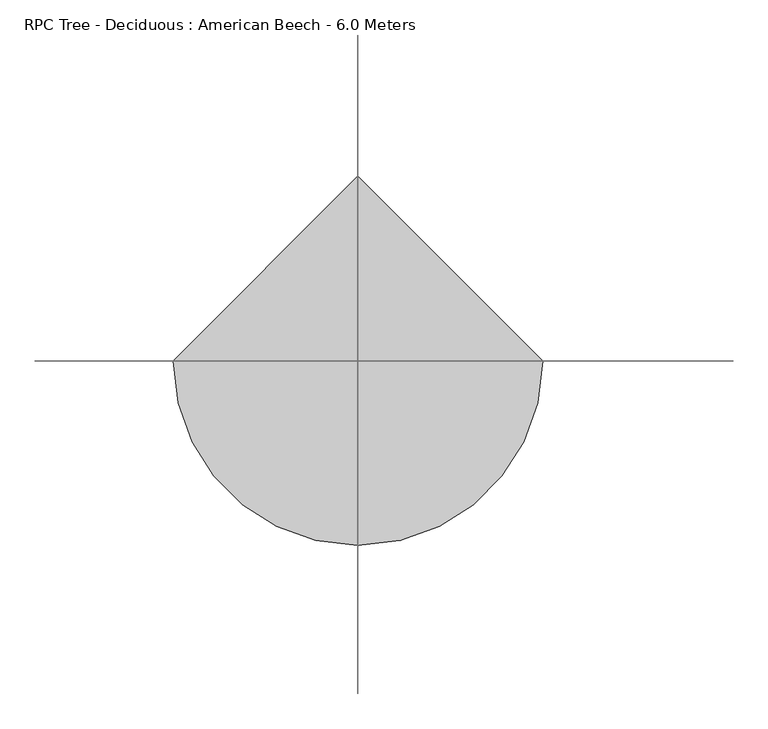
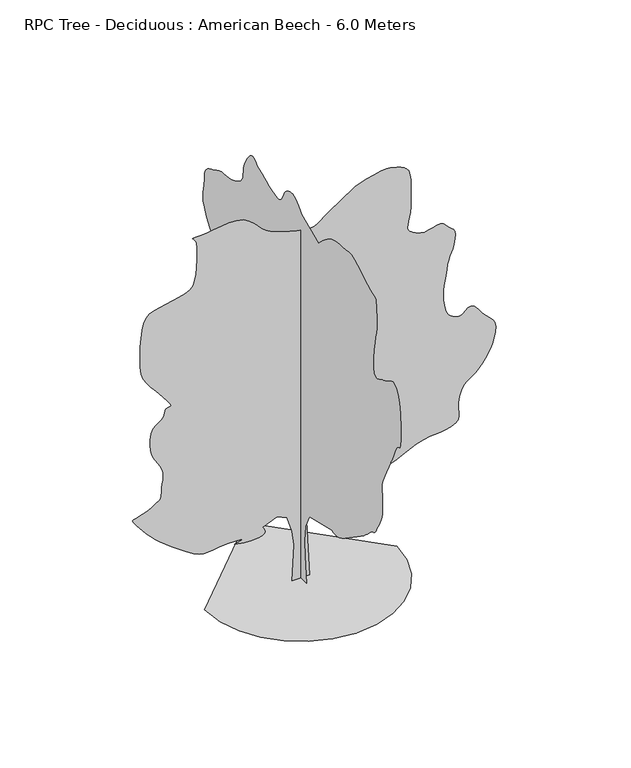
"""IFC4 building model written with IfcOpenShell, lengths in millimetres: geographic element geometry, RPC Tree - Deciduous : American Beech - 6.0 Meters."""

from ifc_helpers import new_model, si_unit, origin, place, context, project, spatial, triangles, source, transform, mapped, element, save


def rpc_tree_deciduous_american_beech_6_0_meters_be49fed4(model_context):
    return source(origin(), model_context, "Body", "Tessellation", [
        triangles([(0.0009733, 134.7013619, 0.0), (0.0009733, -147.494867, 0.0), (0.0009733, -109.8685844, 413.8878181), (0.0009733, -100.4623272, 649.050499), (0.0009733, -119.2748508, 884.2131798), (0.0009733, -232.153435, 1100.5634188), (0.0009733, -805.9506603, 1241.6609837), (0.0009733, -836.5581671, 1230.0334957), (0.0009733, -869.3831984, 1221.2035114), (0.0009733, -906.6532345, 1217.965991), (0.0009733, -950.5882708, 1223.1234524), (0.0009733, -1003.4058317, 1239.4685303), (0.0009733, -1067.3308542, 1269.7985104), (0.0009733, -1144.5859497, 1316.9135124), (0.0009733, -1455.0011593, 1533.2636787), (0.0009733, -1498.8811844, 1564.1163013), (0.0009733, -1542.2661816, 1593.486311), (0.0009733, -1585.8162849, 1623.3513485), (0.0009733, -1630.1888672, 1655.6862934), (0.0009733, -1676.041301, 1692.4613743), (0.0009733, -1724.0338657, 1735.6539413), (0.0009733, -1774.8239342, 1787.2388741), (0.0009733, -1818.8389801, 1828.7590141), (0.0009733, -1849.3615356, 1847.5739994), (0.0009733, -1871.3289448, 1854.3740204), (0.0009733, -1889.6765167, 1859.8590054), (0.0009733, -1909.3389793, 1874.7240864), (0.0009733, -1935.2541126, 1909.6614887), (0.0009733, -1972.3591152, 1975.3715767), (0.0009733, -2012.7566494, 2050.40159), (0.0009733, -2045.5841515, 2111.4491718), (0.0009733, -2071.3341785, 2166.4067184), (0.0009733, -2090.5042294, 2223.1767998), (0.0009733, -2103.5867157, 2289.651812), (0.0009733, -2111.0717239, 2373.7344704), (0.0009733, -2113.4592236, 2483.3219673), (0.0009733, -2108.7967175, 2583.5521866), (0.0009733, -2099.1991928, 2645.9521568), (0.0009733, -2091.2441551, 2687.927211), (0.0009733, -2091.5191383, 2726.9521545), (0.0009733, -2106.6016479, 2780.4523773), (0.0009733, -2143.0767471, 2865.9023941), (0.0009733, -2207.5242668, 3000.6773071), (0.0009733, -2272.3543213, 3131.8524399), (0.0009733, -2311.5169018, 3208.0527306), (0.0009733, -2333.894315, 3249.2275429), (0.0009733, -2348.3743904, 3275.2526985), (0.0009733, -2363.8419056, 3306.0525627), (0.0009733, -2389.1819286, 3361.5276649), (0.0009733, -2433.2795277, 3461.6026611), (0.0009733, -2483.0818657, 3552.8029083), (0.0009733, -2520.7019531, 3587.7528099), (0.0009733, -2547.8020432, 3595.3779259), (0.0009733, -2566.002095, 3604.6529411), (0.0009733, -2576.9770065, 3644.5278328), (0.0009733, -2582.3519691, 3743.9531593), (0.0009733, -2583.7771729, 3931.9283134), (0.0009733, -2574.1771774, 4144.4034256), (0.0009733, -2548.4520035, 4302.6033623), (0.0009733, -2511.2269501, 4413.2285866), (0.0009733, -2467.0668549, 4483.053685), (0.0009733, -2420.6095161, 4518.8035378), (0.0009733, -2376.4569786, 4527.2536034), (0.0009733, -2339.2143391, 4515.1287621), (0.0009733, -2306.9368034, 4495.0285355), (0.0009733, -2274.4943069, 4475.2535797), (0.0009733, -2241.7217434, 4456.1535828), (0.0009733, -2208.456768, 4438.0035278), (0.0009733, -2174.5318039, 4421.2036812), (0.0009733, -2139.7866863, 4406.0284447), (0.0009733, -2104.0516582, 4392.8536674), (0.0009733, -2063.4092262, 4373.6786751), (0.0009733, -2017.3366024, 4348.9034431), (0.0009733, -1970.769096, 4331.3786407), (0.0009733, -1928.6465218, 4333.9284851), (0.0009733, -1895.9015728, 4369.4036453), (0.0009733, -1877.4714478, 4450.6036308), (0.0009733, -1878.294072, 4590.37882), (0.0009733, -1893.3515831, 4743.5287743), (0.0009733, -1912.3565277, 4862.9290443), (0.0009733, -1932.3490574, 4958.6287262), (0.0009733, -1950.3665623, 5040.6789505), (0.0009733, -1963.4490486, 5119.1293945), (0.0009733, -1968.6315811, 5203.9794479), (0.0009733, -1962.9540207, 5305.2790787), (0.0009733, -1955.0840069, 5402.479541), (0.0009733, -1951.8190899, 5472.3543457), (0.0009733, -1947.4040977, 5521.0042831), (0.0009733, -1936.0790623, 5554.5045639), (0.0009733, -1912.0815445, 5578.9792328), (0.0009733, -1869.6565178, 5600.4796646), (0.0009733, -1803.044014, 5625.1043243), (0.0009733, -1720.9064404, 5661.3794357), (0.0009733, -1636.6338226, 5709.179425), (0.0009733, -1551.5337845, 5761.6047134), (0.0009733, -1466.931245, 5811.7045624), (0.0009733, -1384.1386242, 5852.5799744), (0.0009733, -1304.4711033, 5877.3546249), (0.0009733, -1229.2460438, 5879.0795197), (0.0009733, -1155.7484224, 5869.4295273), (0.0009733, -1081.2633614, 5862.9049255), (0.0009733, -1007.1082947, 5856.8547134), (0.0009733, -934.5982584, 5848.679631), (0.0009733, -865.0506866, 5835.7548386), (0.0009733, -799.7806154, 5815.4049179), (0.0009733, -740.1056242, 5785.0044479), (0.0009733, -686.9580688, 5749.2798843), (0.0009733, -639.7330444, 5714.5296799), (0.0009733, -597.445473, 5680.604425), (0.0009733, -559.105444, 5647.3547104), (0.0009733, -523.727916, 5614.5793854), (0.0009733, -490.3254127, 5582.1296219), (0.0009733, -457.9103854, 5549.8542664), (0.0009733, -15.8033629, 5737.9794113), (0.0009733, 22.480868, 5779.9547562), (0.0009733, 60.6828013, 5819.9046432), (0.0009733, 98.7203278, 5855.7047836), (0.0009733, 136.5108627, 5885.354718), (0.0009733, 173.9723933, 5906.7795731), (0.0009733, 211.0226754, 5917.9050568), (0.0009733, 247.5792013, 5916.7045486), (0.0009733, 282.6827272, 5907.9045044), (0.0009733, 315.3177446, 5896.9545914), (0.0009733, 345.3202738, 5882.8798691), (0.0009733, 372.5252993, 5864.7048157), (0.0009733, 396.7678239, 5841.4294922), (0.0009733, 417.8828505, 5812.054541), (0.0009733, 435.7103597, 5775.6044403), (0.0009733, 452.7128829, 5735.1795822), (0.0009733, 472.6778707, 5696.4046234), (0.0009733, 497.4153869, 5662.079393), (0.0009733, 528.7329157, 5634.979303), (0.0009733, 568.4429555, 5617.9047638), (0.0009733, 618.3554976, 5613.7044388), (0.0009733, 680.2805695, 5625.1043243), (0.0009733, 747.7156248, 5646.6297546), (0.0009733, 813.1781261, 5670.6294525), (0.0009733, 876.993199, 5696.6796066), (0.0009733, 939.4932358, 5724.37966), (0.0009733, 1001.0058329, 5753.3046387), (0.0009733, 1061.8608393, 5783.054567), (0.0009733, 1122.385924, 5813.2294693), (0.0009733, 1150.6609423, 5838.9296448), (0.0009733, 1179.2634842, 5861.5800064), (0.0009733, 1208.5259422, 5878.1545761), (0.0009733, 1238.7735146, 5885.5797043), (0.0009733, 1270.3410645, 5880.8299942), (0.0009733, 1303.5511013, 5860.8794678), (0.0009733, 1338.7360176, 5822.6294769), (0.0009733, 1373.2086227, 5775.8044281), (0.0009733, 1403.7311783, 5731.2548218), (0.0009733, 1429.8111271, 5687.8795624), (0.0009733, 1450.9562027, 5644.4793045), (0.0009733, 1466.6712318, 5599.9546967), (0.0009733, 1476.4611866, 5553.1046494), (0.0009733, 1479.8336552, 5502.8042313), (0.0009733, 1483.4812523, 5452.1044189), (0.0009733, 1495.191148, 5404.7044052), (0.0009733, 1516.1161789, 5360.4042023), (0.0009733, 1547.4087456, 5319.0793991), (0.0009733, 1590.2163071, 5280.554425), (0.0009733, 1645.6963509, 5244.6542908), (0.0009733, 1714.996336, 5211.204007), (0.0009733, 1788.9065048, 5186.2043701), (0.0009733, 1858.2064899, 5172.3790512), (0.0009733, 1924.0515987, 5164.8039322), (0.0009733, 1987.5940865, 5158.5543137), (0.0009733, 2049.9841736, 5148.679335), (0.0009733, 2112.3742607, 5130.2542969), (0.0009733, 2175.9167484, 5098.32892), (0.0009733, 2240.5017597, 5064.3292511), (0.0009733, 2303.2743816, 5038.2291), (0.0009733, 2361.2769459, 5012.9289001), (0.0009733, 2411.5469879, 4981.4040802), (0.0009733, 2451.1195724, 4936.5289124), (0.0009733, 2477.0345604, 4871.2538269), (0.0009733, 2486.331958, 4778.503965), (0.0009733, 2492.5844833, 4683.078685), (0.0009733, 2506.4019539, 4608.2036041), (0.0009733, 2520.4019714, 4544.5287117), (0.0009733, 2527.1521408, 4482.6537094), (0.0009733, 2519.2520416, 4413.2285866), (0.0009733, 2489.2945679, 4326.8286278), (0.0009733, 2429.8919437, 4214.1285301), (0.0009733, 2356.3968658, 4101.0031677), (0.0009733, 2289.9743214, 4014.028244), (0.0009733, 2231.9442879, 3944.8531059), (0.0009733, 2183.6218014, 3885.0282692), (0.0009733, 2146.3266941, 3826.2030807), (0.0009733, 2121.3692059, 3759.9780533), (0.0009733, 2110.0716396, 3677.9528275), (0.0009733, 2115.5842392, 3588.602758), (0.0009733, 2136.8916595, 3505.6778778), (0.0009733, 2169.0617889, 3428.6526375), (0.0009733, 2207.1542313, 3357.0776459), (0.0009733, 2246.2317879, 3290.4526428), (0.0009733, 2281.3643818, 3228.2526604), (0.0009733, 2307.6092915, 3170.0024368), (0.0009733, 2333.0293968, 3130.6025162), (0.0009733, 2364.704353, 3115.0525932), (0.0009733, 2396.2144936, 3108.0524391), (0.0009733, 2421.1445126, 3094.3024063), (0.0009733, 2433.074453, 3058.5275551), (0.0009733, 2425.586974, 2985.3773689), (0.0009733, 2392.2669147, 2859.5771988), (0.0009733, 2346.3593971, 2717.8521286), (0.0009733, 2303.741795, 2602.2772064), (0.0009733, 2261.946817, 2505.6519997), (0.0009733, 2218.506736, 2420.6845116), (0.0009733, 2170.9542606, 2340.1668972), (0.0009733, 2116.8167221, 2256.8517792), (0.0009733, 2053.6316254, 2163.5018085), (0.0009733, 1990.2540985, 2069.4091507), (0.0009733, 1937.0790012, 1987.8215435), (0.0009733, 1893.941518, 1917.4240963), (0.0009733, 1860.6740719, 1856.8965408), (0.0009733, 1837.1164982, 1804.928928), (0.0009733, 1823.1039814, 1760.1989548), (0.0009733, 1818.4689445, 1721.3939106), (0.0009733, 1822.4189941, 1694.76385), (0.0009733, 1831.633984, 1682.286414), (0.0009733, 1842.1640099, 1676.2263187), (0.0009733, 1850.0614929, 1668.8488621), (0.0009733, 1851.3789997, 1652.4213764), (0.0009733, 1842.1640099, 1619.2113396), (0.0009733, 1818.4689445, 1561.4837585), (0.0009733, 1798.7513981, 1500.5736683), (0.0009733, 1796.6388817, 1458.9161819), (0.0009733, 1800.9439968, 1430.4235897), (0.0009733, 1800.4789089, 1409.0036762), (0.0009733, 1784.0514233, 1388.5736732), (0.0009733, 1740.4738506, 1363.0410748), (0.0009733, 1658.5587925, 1326.3210777), (0.0009733, 1569.2912762, 1288.8036003), (0.0009733, 1504.2137077, 1262.3110313), (0.0009733, 1452.9586967, 1242.8959373), (0.0009733, 1405.1587074, 1226.6059433), (0.0009733, 1350.4460587, 1209.4934704), (0.0009733, 1278.4585922, 1187.608469), (0.0009733, 1178.8259382, 1157.003433), (0.0009733, 1078.8083513, 1127.6584219), (0.0009733, 1006.4358067, 1109.9959099), (0.0009733, 952.4932417, 1100.7283796), (0.0009733, 907.7632685, 1096.558358), (0.0009733, 863.0356934, 1094.2008711), (0.0009733, 809.0906576, 1090.3609165), (0.0009733, 736.7181129, 1081.7509043), (0.0009733, 652.0605623, 1068.0108273), (0.0009733, 567.4004683, 1051.3083584), (0.0009733, 482.7428813, 1032.140851), (0.0009733, 398.0828236, 1010.9958481), (0.0009733, 313.4252366, 988.3707756), (0.0009733, 228.7664324, 964.7582634), (0.0009733, 144.1076192, 940.6532667), (134.0396109, 0.0003104, 0.0138465), (-129.3426047, 0.0003104, 0.0138465), (-101.123079, 0.0002775, 554.9979549), (-129.3426047, 0.000265, 780.7556139), (-204.5949064, 0.0002508, 1015.9182947), (-355.1002728, 0.0002461, 1091.1708961), (-571.4504754, 0.0002508, 997.1057802), (-553.8429382, 0.0002524, 972.9983128), (-539.4454522, 0.000254, 949.3882713), (-531.465416, 0.0002555, 926.7632715), (-533.1104465, 0.0002571, 905.6181959), (-547.5904492, 0.0002587, 886.4482178), (-578.1129684, 0.0002587, 869.7482197), (-627.8879826, 0.0002602, 856.0082153), (-686.4380424, 0.0002602, 846.9307171), (-741.5356241, 0.0002602, 843.2831926), (-793.7506056, 0.0002602, 844.1606827), (-843.663184, 0.0002602, 848.6581553), (-891.8482515, 0.0002602, 855.8707237), (-938.8807732, 0.0002587, 864.8932108), (-985.3357864, 0.0002587, 874.8207298), (-938.2757229, 0.0002587, 886.8056814), (-899.1157585, 0.0002571, 898.1307169), (-875.7482168, 0.0002571, 908.1407164), (-876.0782112, 0.0002555, 916.1757637), (-908.000754, 0.0002555, 921.5782682), (-979.4132555, 0.0002555, 923.690712), (-1098.2134169, 0.0002555, 921.8532515), (-1223.378524, 0.0002571, 913.21577), (-1316.2934921, 0.0002571, 899.9682501), (-1388.4736794, 0.0002571, 889.0257494), (-1451.4387314, 0.0002571, 887.2982386), (-1516.7087299, 0.0002571, 901.6957609), (-1595.8012859, 0.0002555, 939.1307579), (-1700.2313942, 0.0002508, 1006.5108021), (-1816.016478, 0.0002461, 1088.4284037), (-1921.6016029, 0.0002414, 1165.4084433), (-2017.1466431, 0.0002367, 1238.2735451), (-2102.8191753, 0.0002336, 1307.8509842), (-2178.7867767, 0.0002289, 1374.9560452), (-2245.2068504, 0.0002242, 1440.4186192), (-2302.2492989, 0.0002211, 1505.0587143), (-2354.1368294, 0.0002179, 1567.5838223), (-2402.8969345, 0.0002132, 1625.1763824), (-2445.4045143, 0.0002101, 1676.3488403), (-2478.5321434, 0.0002085, 1719.6239605), (-2499.1544312, 0.0002069, 1753.5214554), (-2504.1520912, 0.0002054, 1776.5590027), (-2490.3793854, 0.0002038, 1787.2539894), (-2459.3920326, 0.0002038, 1794.0263958), (-2417.5419708, 0.0002038, 1805.7364368), (-2368.9443558, 0.0002022, 1821.5614883), (-2317.716814, 0.0002007, 1840.6764553), (-2267.9692692, 0.0001991, 1862.2590042), (-2223.8167316, 0.0001991, 1885.4865108), (-2189.3717411, 0.0001975, 1909.5391125), (-2162.3867603, 0.000196, 1927.8015152), (-2138.1966671, 0.000196, 1938.169051), (-2117.2992508, 0.0001944, 1946.561562), (-2100.1866325, 0.0001944, 1958.9016518), (-2087.3541309, 0.0001928, 1981.1165749), (-2079.291687, 0.0001897, 2019.1266094), (-2076.4941833, 0.0001866, 2078.8566845), (-2072.5992176, 0.0001834, 2146.7042873), (-2063.7692333, 0.0001787, 2206.9817127), (-2054.2791149, 0.0001756, 2262.4893711), (-2048.4115952, 0.0001725, 2316.0218594), (-2050.4417038, 0.0001693, 2370.3769718), (-2064.6466507, 0.0001662, 2428.3494507), (-2095.3066978, 0.0001615, 2492.7420319), (-2134.2492336, 0.0001583, 2555.8271347), (-2169.5717869, 0.0001552, 2611.5022247), (-2199.9567055, 0.0001521, 2665.0271553), (-2224.0918602, 0.0001489, 2721.6771858), (-2240.6543667, 0.0001442, 2786.727285), (-2248.3342758, 0.0001395, 2865.4274231), (-2245.8117554, 0.0001348, 2963.0772766), (-2228.8892418, 0.0001286, 3053.9275452), (-2197.981826, 0.0001254, 3115.1525871), (-2158.6842247, 0.0001223, 3156.3276901), (-2116.5866489, 0.0001207, 3186.952565), (-2077.289193, 0.0001191, 3216.6024994), (-2046.3816319, 0.000116, 3254.8024933), (-2029.4615891, 0.0001129, 3311.1025452), (-2011.7716805, 0.0001113, 3359.2778023), (-1982.4016708, 0.0001097, 3377.3028648), (-1952.6991234, 0.0001097, 3381.2026268), (-1934.0241005, 0.0001082, 3386.9028603), (-1937.7266361, 0.0001082, 3410.3778809), (-1975.1615604, 0.0001035, 3467.6028763), (-2057.6791981, 9.72e-05, 3574.5027466), (-2156.9017754, 9.09e-05, 3694.6029739), (-2237.5292667, 8.47e-05, 3789.0530228), (-2300.5494026, 8e-05, 3870.1780128), (-2346.9519482, 7.53e-05, 3950.303064), (-2377.7218723, 7.05e-05, 4041.8032928), (-2393.8469055, 6.27e-05, 4156.9782394), (-2396.3144875, 5.33e-05, 4308.2036018), (-2391.2694466, 4.39e-05, 4470.0786049), (-2382.4394623, 3.61e-05, 4609.2538307), (-2367.1893757, 2.98e-05, 4726.0536781), (-2342.8918762, 2.35e-05, 4820.8039993), (-2306.911805, 1.88e-05, 4893.8541916), (-2256.6142937, 1.57e-05, 4945.4789474), (-2189.3717411, 1.41e-05, 4976.0538254), (-2104.7392616, 1.25e-05, 4994.8788391), (-2008.7541321, 1.25e-05, 5012.5289246), (-1908.491502, 1.1e-05, 5031.3539383), (-1811.0265209, 9.4e-06, 5053.6293228), (-1723.4339024, 7.8e-06, 5081.6543564), (-1652.7887959, 6.3e-06, 5117.7288986), (-1606.1663509, 3.1e-06, 5164.2039688), (-1578.8513031, -1.6e-06, 5232.7044388), (-1560.4237942, -6.3e-06, 5326.3795349), (-1549.3987404, -1.25e-05, 5434.7043182), (-1544.298761, -2.04e-05, 5547.1544312), (-1543.6387722, -2.67e-05, 5653.1793549), (-1545.9437187, -3.14e-05, 5742.2547318), (-1549.7288074, -3.45e-05, 5803.8294617), (-1560.9438206, -3.76e-05, 5842.6799973), (-1580.7187763, -3.92e-05, 5871.4799835), (-1600.3263004, -4.08e-05, 5891.7049118), (-1611.0487564, -4.08e-05, 5904.879689), (-1604.1663277, -4.23e-05, 5912.4298096), (-1570.95382, -4.23e-05, 5915.9045975), (-1502.6962132, -4.23e-05, 5916.7295471), (-1406.2711395, -4.23e-05, 5923.0547424), (-1298.001004, -4.39e-05, 5937.4550262), (-1183.3109842, -4.39e-05, 5953.0046585), (-1067.6358501, -4.39e-05, 5962.7796432), (-956.4032501, -4.39e-05, 5959.9048187), (-855.043158, -4.39e-05, 5937.4550262), (-768.9856201, -4.08e-05, 5888.5045258), (-703.6355392, -3.61e-05, 5829.3546478), (-655.0655388, -3.29e-05, 5779.2298004), (-614.7254866, -3.14e-05, 5735.7045502), (-574.0554763, -2.82e-05, 5696.3046295), (-524.5004342, -2.67e-05, 5658.5546082), (-457.5028522, -2.35e-05, 5619.9546387), (-364.5052946, -2.19e-05, 5578.0792877), (-256.7552037, -1.88e-05, 5538.7543625), (-153.2841212, -1.72e-05, 5508.8044464), (-57.2167973, -1.57e-05, 5487.254599), (28.3195219, -1.57e-05, 5473.1042999), (100.1988349, -1.57e-05, 5465.3791901), (155.2941184, -1.41e-05, 5463.054332), (190.4793981, -1.57e-05, 5465.2042007), (215.8194211, -1.57e-05, 5473.054303), (243.4629554, -1.57e-05, 5487.6295761), (273.410219, -1.72e-05, 5507.6545166), (305.6602309, -1.88e-05, 5531.7792068), (340.2152802, -2.04e-05, 5558.729306), (377.0728051, -2.19e-05, 5587.1293167), (416.2353493, -2.35e-05, 5615.7043167), (792.4981384, -3.92e-05, 5869.679512), (817.288195, -3.92e-05, 5878.9295288), (882.5581936, -4.08e-05, 5902.1548553), (974.6482847, -4.23e-05, 5932.6297394), (1079.9033426, -4.55e-05, 5963.5795944), (1184.6634453, -4.55e-05, 5988.3048294), (1275.2734669, -4.7e-05, 6000.0046967), (1338.0760288, -4.7e-05, 5991.9796051), (1385.3260517, -4.55e-05, 5975.0550568), (1436.1986732, -4.39e-05, 5961.4297256), (1487.4012165, -4.39e-05, 5946.3050674), (1535.6386791, -4.23e-05, 5924.9546265), (1577.6262325, -4.08e-05, 5892.5548599), (1610.068729, -3.76e-05, 5844.3798935), (1629.6788692, -3.29e-05, 5775.6294388), (1639.0838184, -2.82e-05, 5698.6044891), (1643.8838161, -2.51e-05, 5627.2047775), (1645.2263214, -2.04e-05, 5558.9042953), (1644.2663509, -1.72e-05, 5491.2793533), (1642.1538345, -1.25e-05, 5421.8545212), (1640.0437889, -7.8e-06, 5348.1293701), (1639.0838184, -3.1e-06, 5267.6790482), (1634.0913906, 1.6e-06, 5187.5792862), (1622.1912449, 6.3e-06, 5116.5539703), (1607.9838272, 9.4e-06, 5054.4042755), (1596.081356, 1.25e-05, 5001.0040466), (1591.0912537, 1.57e-05, 4956.1288788), (1597.6187622, 1.72e-05, 4919.6537796), (1620.2713039, 1.88e-05, 4891.4037598), (1651.9738747, 2.04e-05, 4868.9289688), (1682.6888603, 2.19e-05, 4849.728978), (1712.5813671, 2.19e-05, 4833.6537964), (1741.8138851, 2.35e-05, 4820.5540146), (1770.5564621, 2.35e-05, 4810.2287727), (1798.9665012, 2.51e-05, 4802.5539505), (1827.213905, 2.51e-05, 4797.3289787), (1863.2490601, 2.51e-05, 4800.3037971), (1911.6264851, 2.35e-05, 4812.9788956), (1967.4066559, 2.35e-05, 4828.9287941), (2025.6565887, 2.19e-05, 4841.7788818), (2081.4366142, 2.19e-05, 4845.0539726), (2129.8141846, 2.35e-05, 4832.3788742), (2165.8491943, 2.51e-05, 4797.3289787), (2195.3593117, 2.67e-05, 4758.0787582), (2225.6892918, 2.82e-05, 4731.9538994), (2254.2093533, 2.98e-05, 4711.4536972), (2278.2892788, 3.14e-05, 4688.9539078), (2295.2918747, 3.29e-05, 4656.9288277), (2302.5869236, 3.61e-05, 4607.7786301), (2297.5418827, 4.08e-05, 4533.9537758), (2283.3617889, 4.55e-05, 4455.6536133), (2265.8943958, 4.86e-05, 4393.6536186), (2246.4493618, 5.17e-05, 4341.2036224), (2226.3468098, 5.49e-05, 4291.5284569), (2206.9042465, 5.8e-05, 4237.9035324), (2189.4342373, 6.27e-05, 4173.6033875), (2175.2567596, 6.74e-05, 4091.8534355), (2162.3117649, 7.21e-05, 4004.3782516), (2148.874213, 7.68e-05, 3925.278138), (2136.7516972, 8.15e-05, 3851.452993), (2127.756752, 8.62e-05, 3779.753009), (2123.6991508, 8.94e-05, 3707.0780846), (2126.3867775, 9.41e-05, 3630.302829), (2137.6292599, 9.88e-05, 3546.2777252), (2155.4842747, 0.0001035, 3469.5027603), (2176.791695, 0.0001066, 3413.652681), (2201.5542824, 0.0001097, 3374.2527603), (2229.7743622, 0.0001113, 3346.8526886), (2261.4493183, 0.0001129, 3327.0277359), (2296.5819122, 0.0001129, 3310.302594), (2335.1669117, 0.0001144, 3292.3025299), (2374.57439, 0.0001144, 3289.8526794), (2413.1620056, 0.0001129, 3313.0777153), (2452.4043777, 0.0001113, 3347.3276596), (2493.7896423, 0.0001097, 3377.9778236), (2538.8020111, 0.0001082, 3390.3276512), (2588.9021507, 0.0001097, 3369.8027412), (2645.5771797, 0.0001144, 3301.7025375), (2706.5522369, 0.0001191, 3218.4776756), (2765.8771042, 0.0001223, 3156.4526825), (2819.5773148, 0.0001254, 3106.9525063), (2863.7772331, 0.0001286, 3061.2523888), (2894.4523956, 0.0001317, 3010.6025734), (2907.702459, 0.0001348, 2946.27743), (2899.552375, 0.0001411, 2859.6021973), (2878.1022308, 0.0001458, 2766.3523659), (2853.5522758, 0.0001505, 2686.1020317), (2825.0272728, 0.0001552, 2615.752256), (2791.7272705, 0.0001583, 2552.1270699), (2752.8273193, 0.0001615, 2492.1121284), (2707.5271774, 0.0001662, 2432.6019527), (2654.9771873, 0.0001693, 2370.4569088), (2600.8270042, 0.0001725, 2317.1443199), (2551.1021324, 0.0001756, 2280.2868313), (2505.6519997, 0.0001772, 2250.9967587), (2464.3344635, 0.0001787, 2220.3917953), (2426.9544777, 0.0001803, 2179.5842571), (2393.3594353, 0.000185, 2119.691692), (2363.3868462, 0.0001897, 2031.8240902), (2347.2343437, 0.000196, 1934.7965824), (2348.1944595, 0.0002007, 1852.2490047), (2355.7344063, 0.0002038, 1782.5363995), (2359.3269196, 0.0002085, 1724.0139542), (2348.4393574, 0.0002116, 1675.0338043), (2312.5418392, 0.0002132, 1633.9512829), (2241.1018684, 0.0002148, 1599.1237576), (2155.26423, 0.0002164, 1575.9487186), (2078.4766205, 0.0002179, 1565.7737583), (2003.661565, 0.0002179, 1560.866209), (1923.7465302, 0.0002179, 1553.4887524), (1831.6565117, 0.0002195, 1535.9111916), (1720.3138893, 0.0002211, 1500.3962082), (1582.6438042, 0.0002258, 1439.2111347), (1432.7436516, 0.0002289, 1368.8411568), (1291.0710491, 0.000232, 1310.483527), (1160.0909626, 0.0002352, 1263.4785473), (1042.2783136, 0.0002383, 1227.1685543), (940.0957426, 0.0002399, 1200.8959574), (856.0131569, 0.0002399, 1184.0009857), (792.4981384, 0.0002414, 1175.8284468), (397.4228348, 0.0002414, 1166.4234249), (105.8200852, 0.0002446, 1119.3909033), (87.0075707, 0.0002587, 865.4131645), (-1430.8636791, 0.0, 0.0118397), (-1393.0361916, -327.8602567, 0.0118397), (-1285.305994, -628.9454762, 0.0118397), (-1116.2958887, -894.633256, 0.0118397), (-894.633256, -1116.2958887, 0.0118397), (-628.9454762, -1285.305994, 0.0118397), (-327.8602567, -1393.0361916, 0.0118397), (6.25e-05, -1430.8636791, 0.0118397), (327.8602567, -1393.0361916, 0.0118397), (628.9454762, -1285.305994, 0.0118397), (894.633256, -1116.2958887, 0.0118397), (1116.2958887, -894.633256, 0.0118397), (1285.305994, -628.9454762, 0.0118397), (1393.0361916, -327.8602567, 0.0118397), (1430.8636791, 0.0001254, 0.0118397), (-0.0001876, 1430.8636791, 0.0118397)], [[1, 2, 3], [254, 1, 3], [254, 3, 4], [254, 4, 5], [254, 5, 6], [53, 54, 55], [52, 53, 55], [201, 202, 203], [201, 203, 204], [200, 201, 204], [222, 223, 224], [52, 55, 56], [200, 204, 205], [199, 200, 205], [253, 254, 6], [221, 222, 224], [221, 224, 225], [229, 230, 231], [229, 231, 232], [228, 229, 232], [228, 232, 233], [227, 228, 233], [252, 253, 6], [221, 225, 226], [220, 221, 226], [199, 205, 206], [198, 199, 206], [62, 63, 64], [61, 62, 64], [61, 64, 65], [60, 61, 65], [60, 65, 66], [59, 60, 66], [59, 66, 67], [59, 67, 68], [58, 59, 68], [58, 68, 69], [58, 69, 70], [57, 58, 70], [57, 70, 71], [57, 71, 72], [57, 72, 73], [57, 73, 74], [56, 57, 74], [52, 56, 74], [51, 52, 74], [50, 51, 74], [50, 74, 75], [49, 50, 75], [48, 49, 75], [47, 48, 75], [46, 47, 75], [45, 46, 75], [44, 45, 75], [43, 44, 75], [42, 43, 75], [42, 75, 76], [41, 42, 76], [227, 233, 234], [226, 227, 234], [220, 226, 234], [219, 220, 234], [219, 234, 235], [219, 235, 236], [219, 236, 237], [218, 219, 237], [218, 237, 238], [218, 238, 239], [218, 239, 240], [217, 218, 240], [217, 240, 241], [217, 241, 242], [217, 242, 243], [217, 243, 244], [217, 244, 245], [217, 245, 246], [216, 217, 246], [216, 246, 247], [215, 216, 247], [215, 247, 248], [251, 252, 6], [88, 89, 90], [88, 90, 91], [87, 88, 91], [87, 91, 92], [86, 87, 92], [86, 92, 93], [85, 86, 93], [84, 85, 93], [84, 93, 94], [83, 84, 94], [82, 83, 94], [81, 82, 94], [81, 94, 95], [80, 81, 95], [80, 95, 96], [80, 96, 97], [80, 97, 98], [80, 98, 99], [80, 99, 100], [80, 100, 101], [80, 101, 102], [80, 102, 103], [80, 103, 104], [80, 104, 105], [80, 105, 106], [80, 106, 107], [80, 107, 108], [80, 108, 109], [80, 109, 110], [80, 110, 111], [80, 111, 112], [79, 80, 112], [79, 112, 113], [78, 79, 113], [77, 78, 113], [76, 77, 113], [41, 76, 113], [40, 41, 113], [40, 113, 114], [39, 40, 114], [198, 206, 207], [197, 198, 207], [196, 197, 207], [196, 207, 208], [195, 196, 208], [195, 208, 209], [195, 209, 210], [195, 210, 211], [194, 195, 211], [194, 211, 212], [194, 212, 213], [193, 194, 213], [193, 213, 214], [214, 215, 248], [193, 214, 248], [193, 248, 249], [192, 193, 249], [192, 249, 250], [192, 250, 251], [192, 251, 6], [192, 6, 7], [191, 192, 7], [190, 191, 7], [189, 190, 7], [38, 39, 114], [37, 38, 114], [36, 37, 114], [35, 36, 114], [34, 35, 114], [33, 34, 114], [32, 33, 114], [31, 32, 114], [30, 31, 114], [29, 30, 114], [28, 29, 114], [27, 28, 114], [26, 27, 114], [25, 26, 114], [24, 25, 114], [23, 24, 114], [22, 23, 114], [21, 22, 114], [20, 21, 114], [19, 20, 114], [18, 19, 114], [17, 18, 114], [16, 17, 114], [15, 16, 114], [14, 15, 114], [13, 14, 114], [12, 13, 114], [11, 12, 114], [10, 11, 114], [9, 10, 114], [8, 9, 114], [7, 8, 114], [189, 7, 114], [188, 189, 114], [188, 114, 115], [188, 115, 116], [188, 116, 117], [188, 117, 118], [188, 118, 119], [188, 119, 120], [188, 120, 121], [146, 147, 148], [145, 146, 148], [144, 145, 148], [144, 148, 149], [143, 144, 149], [143, 149, 150], [142, 143, 150], [142, 150, 151], [142, 151, 152], [141, 142, 152], [141, 152, 153], [141, 153, 154], [141, 154, 155], [141, 155, 156], [140, 141, 156], [140, 156, 157], [139, 140, 157], [138, 139, 157], [138, 157, 158], [137, 138, 158], [137, 158, 159], [136, 137, 159], [135, 136, 159], [135, 159, 160], [134, 135, 160], [134, 160, 161], [174, 175, 176], [173, 174, 176], [173, 176, 177], [172, 173, 177], [171, 172, 177], [171, 177, 178], [170, 171, 178], [170, 178, 179], [169, 170, 179], [168, 169, 179], [167, 168, 179], [166, 167, 179], [165, 166, 179], [165, 179, 180], [165, 180, 181], [165, 181, 182], [165, 182, 183], [165, 183, 184], [165, 184, 185], [165, 185, 186], [165, 186, 187], [164, 165, 187], [164, 187, 188], [163, 164, 188], [162, 163, 188], [161, 162, 188], [134, 161, 188], [133, 134, 188], [132, 133, 188], [125, 126, 127], [124, 125, 127], [124, 127, 128], [123, 124, 128], [122, 123, 128], [121, 122, 128], [121, 128, 129], [121, 129, 130], [121, 130, 131], [188, 121, 131], [132, 188, 131], [274, 275, 276], [531, 255, 256], [531, 256, 257], [531, 257, 258], [531, 258, 259], [530, 531, 259], [376, 377, 378], [376, 378, 379], [375, 376, 379], [273, 274, 276], [273, 276, 277], [375, 379, 380], [374, 375, 380], [273, 277, 278], [272, 273, 278], [301, 302, 303], [301, 303, 304], [300, 301, 304], [300, 304, 305], [299, 300, 305], [299, 305, 306], [298, 299, 306], [298, 306, 307], [297, 298, 307], [297, 307, 308], [271, 272, 278], [296, 297, 308], [296, 308, 309], [373, 374, 380], [373, 380, 381], [372, 373, 381], [295, 296, 309], [295, 309, 310], [294, 295, 310], [294, 310, 311], [294, 311, 312], [294, 312, 313], [293, 294, 313], [293, 313, 314], [292, 293, 314], [271, 278, 279], [291, 292, 314], [530, 259, 260], [372, 381, 382], [371, 372, 382], [291, 314, 315], [290, 291, 315], [371, 382, 383], [370, 371, 383], [370, 383, 384], [369, 370, 384], [369, 384, 385], [369, 385, 386], [369, 386, 387], [369, 387, 388], [369, 388, 389], [369, 389, 390], [368, 369, 390], [368, 390, 391], [367, 368, 391], [367, 391, 392], [367, 392, 393], [366, 367, 393], [366, 393, 394], [270, 271, 279], [366, 394, 395], [338, 339, 340], [338, 340, 341], [289, 290, 315], [483, 484, 485], [483, 485, 486], [482, 483, 486], [481, 482, 486], [481, 486, 487], [480, 481, 487], [288, 289, 315], [287, 288, 315], [286, 287, 315], [285, 286, 315], [284, 285, 315], [283, 284, 315], [282, 283, 315], [282, 315, 316], [281, 282, 316], [281, 316, 317], [281, 317, 318], [281, 318, 319], [281, 319, 320], [280, 281, 320], [280, 320, 321], [279, 280, 321], [279, 321, 322], [480, 487, 488], [264, 265, 266], [263, 264, 266], [263, 266, 267], [262, 263, 267], [262, 267, 268], [261, 262, 268], [261, 268, 269], [261, 269, 270], [261, 270, 279], [261, 279, 322], [260, 261, 322], [530, 260, 322], [530, 322, 323], [529, 530, 323], [529, 323, 324], [366, 395, 396], [365, 366, 396], [337, 338, 341], [337, 341, 342], [529, 324, 325], [528, 529, 325], [527, 528, 325], [526, 527, 325], [525, 526, 325], [524, 525, 325], [523, 524, 325], [522, 523, 325], [521, 522, 325], [521, 325, 326], [521, 326, 327], [521, 327, 328], [521, 328, 329], [521, 329, 330], [521, 330, 331], [521, 331, 332], [521, 332, 333], [521, 333, 334], [521, 334, 335], [521, 335, 336], [521, 336, 337], [521, 337, 342], [520, 521, 342], [520, 342, 343], [519, 520, 343], [518, 519, 343], [518, 343, 344], [517, 518, 344], [449, 450, 451], [448, 449, 451], [448, 451, 452], [447, 448, 452], [446, 447, 452], [446, 452, 453], [516, 517, 344], [515, 516, 344], [514, 515, 344], [513, 514, 344], [512, 513, 344], [511, 512, 344], [510, 511, 344], [509, 510, 344], [508, 509, 344], [507, 508, 344], [506, 507, 344], [505, 506, 344], [504, 505, 344], [503, 504, 344], [502, 503, 344], [501, 502, 344], [500, 501, 344], [499, 500, 344], [498, 499, 344], [497, 498, 344], [496, 497, 344], [495, 496, 344], [494, 495, 344], [493, 494, 344], [492, 493, 344], [491, 492, 344], [490, 491, 344], [489, 490, 344], [488, 489, 344], [480, 488, 344], [479, 480, 344], [478, 479, 344], [477, 478, 344], [476, 477, 344], [475, 476, 344], [474, 475, 344], [473, 474, 344], [472, 473, 344], [471, 472, 344], [470, 471, 344], [469, 470, 344], [468, 469, 344], [467, 468, 344], [466, 467, 344], [465, 466, 344], [464, 465, 344], [463, 464, 344], [463, 344, 345], [462, 463, 345], [462, 345, 346], [461, 462, 346], [460, 461, 346], [459, 460, 346], [458, 459, 346], [457, 458, 346], [456, 457, 346], [455, 456, 346], [454, 455, 346], [453, 454, 346], [446, 453, 346], [445, 446, 346], [444, 445, 346], [443, 444, 346], [442, 443, 346], [441, 442, 346], [440, 441, 346], [439, 440, 346], [438, 439, 346], [437, 438, 346], [436, 437, 346], [435, 436, 346], [435, 346, 347], [435, 347, 348], [435, 348, 349], [435, 349, 350], [435, 350, 351], [435, 351, 352], [435, 352, 353], [435, 353, 354], [435, 354, 355], [435, 355, 356], [435, 356, 357], [435, 357, 358], [435, 358, 359], [435, 359, 360], [435, 360, 361], [435, 361, 362], [435, 362, 363], [435, 363, 364], [435, 364, 365], [435, 365, 396], [435, 396, 397], [435, 397, 398], [435, 398, 399], [435, 399, 400], [435, 400, 401], [435, 401, 402], [435, 402, 403], [435, 403, 404], [435, 404, 405], [435, 405, 406], [435, 406, 407], [435, 407, 408], [435, 408, 409], [434, 435, 409], [433, 434, 409], [432, 433, 409], [431, 432, 409], [430, 431, 409], [429, 430, 409], [429, 409, 410], [429, 410, 411], [429, 411, 412], [428, 429, 412], [428, 412, 413], [427, 428, 413], [426, 427, 413], [426, 413, 414], [425, 426, 414], [425, 414, 415], [425, 415, 416], [425, 416, 417], [424, 425, 417], [424, 417, 418], [423, 424, 418], [423, 418, 419], [422, 423, 419], [422, 419, 420], [421, 422, 420], [546, 547, 532], [545, 546, 532], [545, 532, 533], [544, 545, 533], [544, 533, 534], [544, 534, 535], [543, 544, 535], [542, 543, 535], [542, 535, 536], [542, 536, 537], [542, 537, 538], [542, 538, 539], [542, 539, 540], [542, 540, 541]], closed=False),
    ])


if __name__ == "__main__":
    model = new_model("IFC4")
    model_context = context("Model", 3, world=origin())
    ifc_project = project(units=[si_unit("LENGTHUNIT", "METRE", prefix="MILLI")], contexts=[model_context])
    site = spatial("IfcSite", under=ifc_project)
    building = spatial("IfcBuilding", under=site)
    placement = place(None, origin())
    rpc_tree_deciduous_american_beech_6_0_meters_shape = rpc_tree_deciduous_american_beech_6_0_meters_be49fed4(model_context)
    element("IfcGeographicElement", 1, ObjectType="RPC Tree - Deciduous : American Beech - 6.0 Meters", at=placement, inside=building, context=model_context, shape_type="MappedRepresentation", body=[
        mapped(rpc_tree_deciduous_american_beech_6_0_meters_shape, transform((0.0, 0.0, 0.0), x_axis=(1.0, 0.0, 0.0), y_axis=(0.0, 1.0, 0.0), z_axis=(0.0, 0.0, 1.0))),
    ])
    save(model, "model.ifc")
